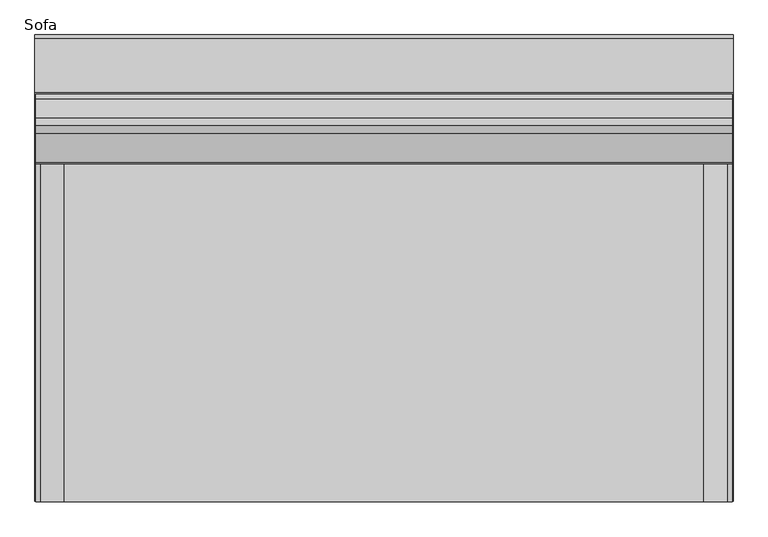
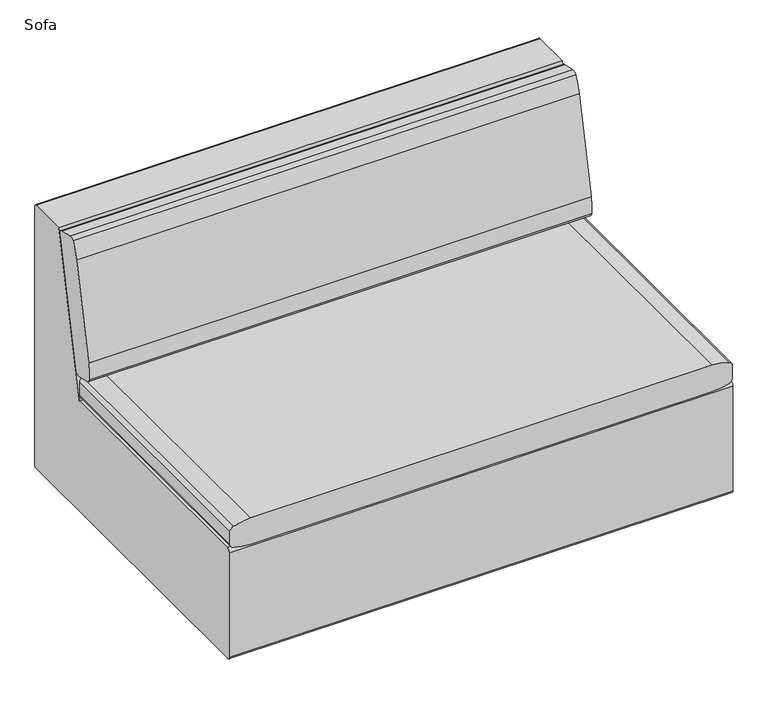
"""IFC4 building model written with IfcOpenShell, lengths in millimetres: furniture geometry, Sofa."""

from ifc_helpers import new_model, si_unit, point, frame, frame_2d, origin, origin_with_axes, place, context, project, spatial, polyline, circle_curve, trimmed, segment, composite_curve, outline, extrude, source, transform, mapped, element, save


def sofa_c4ad41d9(model_context):
    return source(origin(), model_context, "Body", "SweptSolid", [
        extrude(outline(composite_curve([segment(polyline([(235.1863272, 416.6761344), (216.1826775, 420.7522652)]), True, "CONTINUOUS"), segment(trimmed(circle_curve(frame_2d((218.7895374, 432.9059113)), 12.4300777), [point((216.1826775, 420.7522652))], [point((206.4243247, 431.6377051))], False, "CARTESIAN"), True, "CONTINUOUS"), segment(trimmed(circle_curve(frame_2d((358.0290418, 447.1866529)), 152.4), [point((206.4243247, 431.6377051))], [point((208.9791142, 478.9652476))], False, "CARTESIAN"), True, "CONTINUOUS"), segment(polyline([(208.9791142, 478.9652476), (265.2859628, 743.0591069)]), True, "CONTINUOUS"), segment(trimmed(circle_curve(frame_2d((414.3358904, 711.2805122)), 152.4), [point((265.2859628, 743.0591069))], [point((282.5054047, 787.7428103))], False, "CARTESIAN"), True, "CONTINUOUS"), segment(trimmed(circle_curve(frame_2d((293.2577877, 781.5063779)), 12.4300777), [point((282.5054047, 787.7428103))], [point((295.8421458, 793.6648286))], False, "CARTESIAN"), True, "CONTINUOUS"), segment(polyline([(295.8421458, 793.6648286), (333.1095696, 785.7433945)]), True, "CONTINUOUS"), segment(trimmed(circle_curve(frame_2d((330.5252116, 773.5849437)), 12.4300777), [point((333.1095696, 785.7433945))], [point((342.8845878, 774.908821))], False, "CARTESIAN"), True, "CONTINUOUS"), segment(trimmed(circle_curve(frame_2d((191.351429, 758.6773144)), 152.4), [point((342.8845878, 774.908821))], [point((340.4408345, 727.0844485))], False, "CARTESIAN"), True, "CONTINUOUS"), segment(polyline([(340.4408345, 727.0844485), (284.4630691, 462.9206405)]), True, "CONTINUOUS"), segment(trimmed(circle_curve(frame_2d((135.3736636, 494.5135064)), 152.4), [point((284.4630691, 462.9206405))], [point((267.5471427, 418.6456513))], False, "CARTESIAN"), True, "CONTINUOUS"), segment(trimmed(circle_curve(frame_2d((256.7667844, 424.8335997)), 12.4300777), [point((267.5471427, 418.6456513))], [point((254.204937, 412.6703859))], False, "CARTESIAN"), True, "CONTINUOUS"), segment(polyline([(254.204937, 412.6703859), (235.1863272, 416.6761344)]), True, "CONTINUOUS")], self_intersect=False)), frame((-687.3299565, 0.0, 0.0), z_axis=(1.0, 0.0, 0.0), x_axis=(0.0, 1.0, 0.0)), (0.0, 0.0, 1.0), 1374.7749516),
        extrude(outline(composite_curve([segment(trimmed(circle_curve(frame_2d((396.746479, 674.4832171)), 12.7), [point((396.746479, 687.1832171))], [point((408.8813122, 678.2296587))], False, "CARTESIAN"), True, "CONTINUOUS"), segment(trimmed(circle_curve(frame_2d((238.9936482, 625.7794763)), 177.8), [point((408.8813122, 678.2296587))], [point((416.7016841, 631.497342))], False, "CARTESIAN"), True, "CONTINUOUS"), segment(trimmed(circle_curve(frame_2d((-19217.309528, -0.2390901)), 19644.1718379), [point((416.7016841, 631.497342))], [point((416.7016841, -631.9755223))], False, "CARTESIAN"), True, "CONTINUOUS"), segment(trimmed(circle_curve(frame_2d((238.9936482, -626.2576565)), 177.8), [point((416.7016841, -631.9755223))], [point((408.8813122, -678.707839))], False, "CARTESIAN"), True, "CONTINUOUS"), segment(trimmed(circle_curve(frame_2d((396.746479, -674.9613974)), 12.7), [point((408.8813122, -678.707839))], [point((396.746479, -687.6613974))], False, "CARTESIAN"), True, "CONTINUOUS"), segment(polyline([(396.746479, -687.6613974), (360.2975302, -687.6613974)]), True, "CONTINUOUS"), segment(trimmed(circle_curve(frame_2d((360.2975302, -674.9613974)), 12.7), [point((360.2975302, -687.6613974))], [point((348.1626971, -678.707839))], False, "CARTESIAN"), True, "CONTINUOUS"), segment(trimmed(circle_curve(frame_2d((518.050361, -626.2576565)), 177.8), [point((348.1626971, -678.707839))], [point((340.3423252, -631.9755223))], False, "CARTESIAN"), True, "CONTINUOUS"), segment(trimmed(circle_curve(frame_2d((19974.3535373, -0.2390901)), 19644.1718379), [point((340.3423252, -631.9755223))], [point((340.3423252, 631.497342))], False, "CARTESIAN"), True, "CONTINUOUS"), segment(trimmed(circle_curve(frame_2d((518.050361, 625.7794763)), 177.8), [point((340.3423252, 631.497342))], [point((348.1626971, 678.2296587))], False, "CARTESIAN"), True, "CONTINUOUS"), segment(trimmed(circle_curve(frame_2d((360.2975302, 674.4832171)), 12.7), [point((348.1626971, 678.2296587))], [point((360.2975302, 687.1832171))], False, "CARTESIAN"), True, "CONTINUOUS"), segment(polyline([(360.2975302, 687.1832171), (396.746479, 687.1832171)]), True, "CONTINUOUS")], self_intersect=False)), frame((0.0, -460.9236442, 0.0), z_axis=(0.0, 1.0, 0.0), x_axis=(0.0, 0.0, 1.0)), (0.0, 0.0, 1.0), 711.99375),
        extrude(outline(polyline([(-556.4187591, -308.2493524), (-553.2437349, -311.4243494), (-553.2437349, -355.8743524), (-556.4187591, -359.0493494), (-600.8687349, -359.0493494), (-604.0437591, -355.8743524), (-604.0437591, -311.4243494), (-600.8687349, -308.2493524), (-556.4187591, -308.2493524)])), frame((0.0, 0.0, 3.1750001), z_axis=(0.0, 0.0, 1.0), x_axis=(1.0, 0.0, 0.0)), (0.0, 0.0, 1.0), 22.2250007),
        extrude(outline(polyline([(-553.2437349, -305.0743463), (-550.068747, -308.2493524), (-550.068747, -359.0493494), (-553.2437349, -362.2243554), (-604.0437591, -362.2243554), (-607.218747, -359.0493494), (-607.218747, -308.2493524), (-604.0437591, -305.0743463), (-553.2437349, -305.0743463)])), origin_with_axes(), (0.0, 0.0, 1.0), 3.1750001),
        extrude(outline(polyline([(-556.4187591, 358.5006749), (-553.2437349, 355.3256779), (-553.2437349, 310.8756749), (-556.4187591, 307.7006779), (-600.8687349, 307.7006779), (-604.0437591, 310.8756749), (-604.0437591, 355.3256779), (-600.8687349, 358.5006749), (-556.4187591, 358.5006749)])), frame((0.0, 0.0, 3.1750001), z_axis=(0.0, 0.0, 1.0), x_axis=(1.0, 0.0, 0.0)), (0.0, 0.0, 1.0), 22.2250007),
        extrude(outline(polyline([(-553.2437349, 361.6756809), (-550.068747, 358.5006749), (-550.068747, 307.7006779), (-553.2437349, 304.5256718), (-604.0437591, 304.5256718), (-607.218747, 307.7006779), (-607.218747, 358.5006749), (-604.0437591, 361.6756809), (-553.2437349, 361.6756809)])), origin_with_axes(), (0.0, 0.0, 1.0), 3.1750001),
        extrude(outline(polyline([(611.9812258, -308.2493524), (615.15625, -311.4243494), (615.15625, -355.8743524), (611.9812258, -359.0493494), (567.53125, -359.0493494), (564.3562258, -355.8743524), (564.3562258, -311.4243494), (567.53125, -308.2493524), (611.9812258, -308.2493524)])), frame((0.0, 0.0, 3.1750001), z_axis=(0.0, 0.0, 1.0), x_axis=(1.0, 0.0, 0.0)), (0.0, 0.0, 1.0), 22.2250007),
        extrude(outline(polyline([(615.15625, -305.0743463), (618.3312379, -308.2493524), (618.3312379, -359.0493494), (615.15625, -362.2243554), (564.3562258, -362.2243554), (561.1812379, -359.0493494), (561.1812379, -308.2493524), (564.3562258, -305.0743463), (615.15625, -305.0743463)])), origin_with_axes(), (0.0, 0.0, 1.0), 3.1750001),
        extrude(outline(polyline([(611.9812258, 358.5006749), (615.15625, 355.3256779), (615.15625, 310.8756749), (611.9812258, 307.7006779), (567.53125, 307.7006779), (564.3562258, 310.8756749), (564.3562258, 355.3256779), (567.53125, 358.5006749), (611.9812258, 358.5006749)])), frame((0.0, 0.0, 3.1750001), z_axis=(0.0, 0.0, 1.0), x_axis=(1.0, 0.0, 0.0)), (0.0, 0.0, 1.0), 22.2250007),
        extrude(outline(polyline([(615.15625, 361.6756809), (618.3312379, 358.5006749), (618.3312379, 307.7006779), (615.15625, 304.5256718), (564.3562258, 304.5256718), (561.1812379, 307.7006779), (561.1812379, 358.5006749), (564.3562258, 361.6756809), (615.15625, 361.6756809)])), origin_with_axes(), (0.0, 0.0, 1.0), 3.1750001),
        extrude(outline(composite_curve([segment(trimmed(circle_curve(frame_2d((248.4922796, 349.8935536)), 4.8013546), [point((248.4922796, 345.092199))], [point((253.1864451, 348.8846847))], True, "CARTESIAN"), True, "CONTINUOUS"), segment(polyline([(253.1864451, 348.8846847), (347.432053, 787.4), (454.025, 787.4)]), True, "CONTINUOUS"), segment(trimmed(circle_curve(frame_2d((454.025, 781.05)), 6.35), [point((454.025, 787.4))], [point((460.375, 781.05))], False, "CARTESIAN"), True, "CONTINUOUS"), segment(polyline([(460.375, 781.05), (460.375, 30.6404917)]), True, "CONTINUOUS"), segment(trimmed(circle_curve(frame_2d((455.1345091, 30.6404917)), 5.2404909), [point((460.375, 30.6404917))], [point((455.1345091, 25.4000008))], False, "CARTESIAN"), True, "CONTINUOUS"), segment(polyline([(455.1345091, 25.4000008), (-452.6230719, 25.4000008)]), True, "CONTINUOUS"), segment(trimmed(circle_curve(frame_2d((-452.6230719, 33.1519289)), 7.7519281), [point((-452.6230719, 25.4000008))], [point((-460.375, 33.1519289))], False, "CARTESIAN"), True, "CONTINUOUS"), segment(polyline([(-460.375, 33.1519289), (-460.375, 335.5036708)]), True, "CONTINUOUS"), segment(trimmed(circle_curve(frame_2d((-450.7864717, 335.5036708)), 9.5885283), [point((-460.375, 335.5036708))], [point((-450.7864717, 345.092199))], False, "CARTESIAN"), True, "CONTINUOUS"), segment(polyline([(-450.7864717, 345.092199), (248.4922796, 345.092199)]), True, "CONTINUOUS")], self_intersect=False)), frame((-688.975, 0.0, 0.0), z_axis=(1.0, 0.0, 0.0), x_axis=(0.0, 1.0, 0.0)), (0.0, 0.0, 1.0), 1377.95),
    ])


if __name__ == "__main__":
    model = new_model("IFC4")
    model_context = context("Model", 3, world=origin())
    ifc_project = project(units=[si_unit("LENGTHUNIT", "METRE", prefix="MILLI")], contexts=[model_context])
    site = spatial("IfcSite", under=ifc_project)
    building = spatial("IfcBuilding", under=site)
    placement = place(None, origin())
    sofa_shape = sofa_c4ad41d9(model_context)
    element("IfcFurniture", 1, ObjectType="Sofa", at=placement, inside=building, context=model_context, shape_type="MappedRepresentation", body=[
        mapped(sofa_shape, transform((0.0, 0.0, 0.0), x_axis=(1.0, 0.0, 0.0), y_axis=(0.0, 1.0, 0.0), z_axis=(0.0, 0.0, 1.0))),
    ])
    save(model, "model.ifc")
